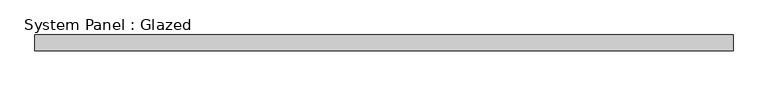
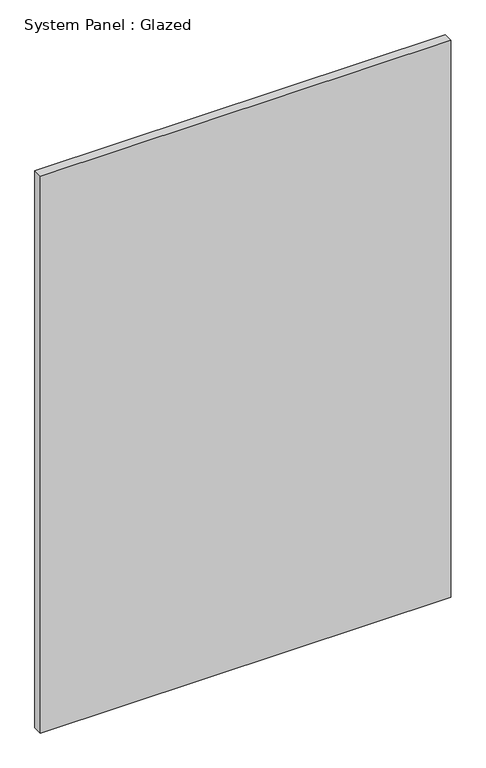
"""IFC4 building model written with IfcOpenShell, lengths in millimetres: plate geometry, System Panel : Glazed."""

from ifc_helpers import new_model, si_unit, origin, origin_with_axes, place, context, project, spatial, polyline, outline, extrude, source, transform, mapped, element, save


def system_panel_glazed_86c72bbc(model_context):
    return source(origin(), model_context, "Body", "SweptSolid", [
        extrude(outline(polyline([(561.975, 19.05), (-561.975, 19.05), (-561.975, 44.45), (561.975, 44.45), (561.975, 19.05)])), origin_with_axes(), (0.0, 0.0, 1.0), 1612.9),
    ])


if __name__ == "__main__":
    model = new_model("IFC4")
    model_context = context("Model", 3, world=origin())
    ifc_project = project(units=[si_unit("LENGTHUNIT", "METRE", prefix="MILLI")], contexts=[model_context])
    site = spatial("IfcSite", under=ifc_project)
    building = spatial("IfcBuilding", under=site)
    placement = place(None, origin())
    system_panel_glazed_shape = system_panel_glazed_86c72bbc(model_context)
    element("IfcPlate", 1, ObjectType="System Panel : Glazed", at=placement, inside=building, context=model_context, shape_type="MappedRepresentation", body=[
        mapped(system_panel_glazed_shape, transform((0.0, 0.0, 0.0), x_axis=(1.0, 0.0, 0.0), y_axis=(0.0, 1.0, 0.0), z_axis=(0.0, 0.0, 1.0))),
    ])
    save(model, "model.ifc")
